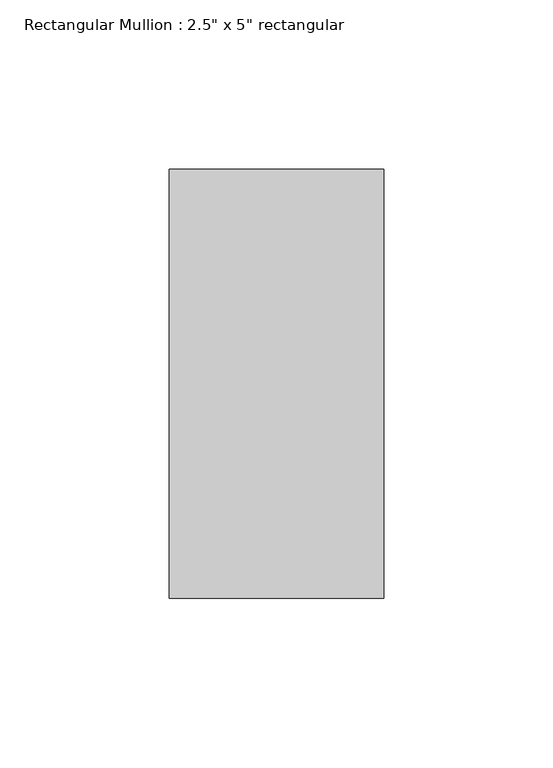
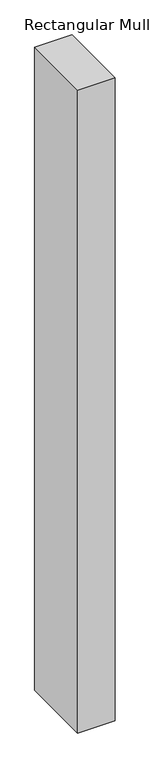
"""IFC4 building model written with IfcOpenShell, lengths in millimetres: member geometry."""

from ifc_helpers import new_model, si_unit, frame, origin, place, context, project, spatial, polyline, outline, extrude, source, transform, mapped, element, save


def member_2435a2bc(model_context):
    return source(origin(), model_context, "Body", "SweptSolid", [
        extrude(outline(polyline([(31.75, 63.5), (31.75, -63.5), (-31.75, -63.5), (-31.75, 63.5), (31.75, 63.5)])), frame((0.0, 0.0, -1157.4458333), z_axis=(0.0, 0.0, 1.0), x_axis=(1.0, 0.0, 0.0)), (0.0, 0.0, 1.0), 1157.4458333),
    ])


if __name__ == "__main__":
    model = new_model("IFC4")
    model_context = context("Model", 3, world=origin())
    ifc_project = project(units=[si_unit("LENGTHUNIT", "METRE", prefix="MILLI")], contexts=[model_context])
    site = spatial("IfcSite", under=ifc_project)
    building = spatial("IfcBuilding", under=site)
    placement = place(None, origin())
    member_shape = member_2435a2bc(model_context)
    element("IfcMember", 1, ObjectType="Rectangular Mullion : 2.5\" x 5\" rectangular", at=placement, inside=building, context=model_context, shape_type="MappedRepresentation", body=[
        mapped(member_shape, transform((0.0, 0.0, 0.0), x_axis=(1.0, 0.0, 0.0), y_axis=(0.0, 1.0, 0.0), z_axis=(0.0, 0.0, 1.0))),
    ])
    save(model, "model.ifc")
